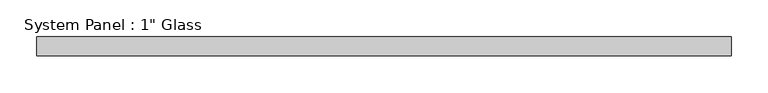
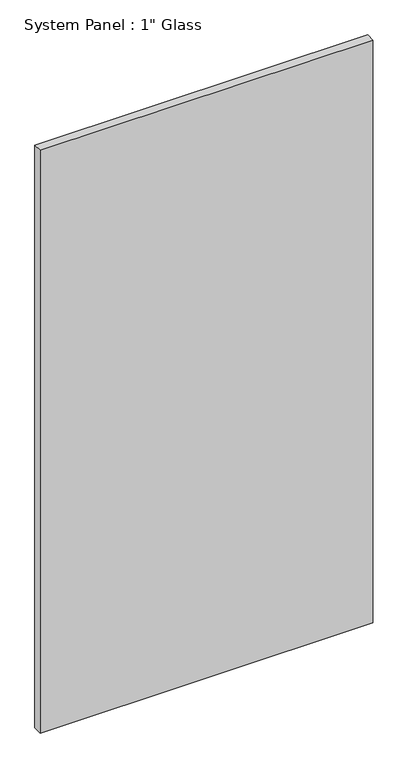
"""IFC4 building model written with IfcOpenShell, lengths in millimetres: plate geometry."""

from ifc_helpers import new_model, si_unit, origin, origin_with_axes, place, context, project, spatial, polyline, outline, extrude, source, transform, mapped, element, save


def plate_78bb63f4(model_context):
    return source(origin(), model_context, "Body", "SweptSolid", [
        extrude(outline(polyline([(469.9, -12.7), (-469.9, -12.7), (-469.9, 12.7), (469.9, 12.7), (469.9, -12.7)])), origin_with_axes(), (0.0, 0.0, 1.0), 1739.9),
    ])


if __name__ == "__main__":
    model = new_model("IFC4")
    model_context = context("Model", 3, world=origin())
    ifc_project = project(units=[si_unit("LENGTHUNIT", "METRE", prefix="MILLI")], contexts=[model_context])
    site = spatial("IfcSite", under=ifc_project)
    building = spatial("IfcBuilding", under=site)
    placement = place(None, origin())
    plate_shape = plate_78bb63f4(model_context)
    element("IfcPlate", 1, ObjectType="System Panel : 1\" Glass", at=placement, inside=building, context=model_context, shape_type="MappedRepresentation", body=[
        mapped(plate_shape, transform((0.0, 0.0, 0.0), x_axis=(1.0, 0.0, 0.0), y_axis=(0.0, 1.0, 0.0), z_axis=(0.0, 0.0, 1.0))),
    ])
    save(model, "model.ifc")
